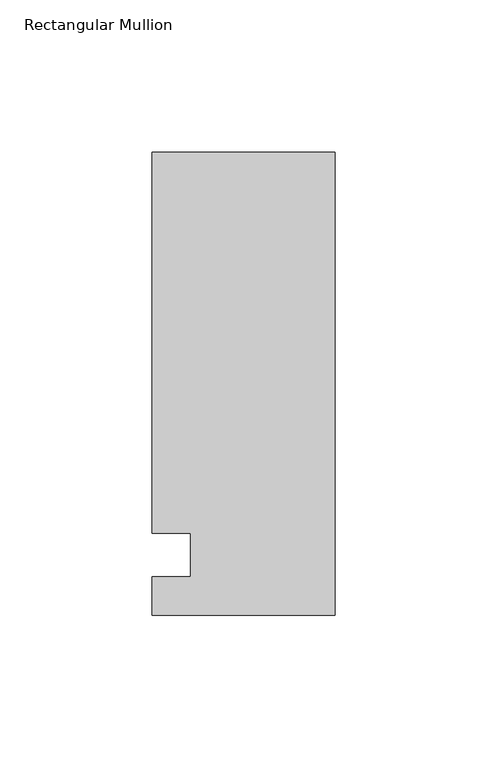
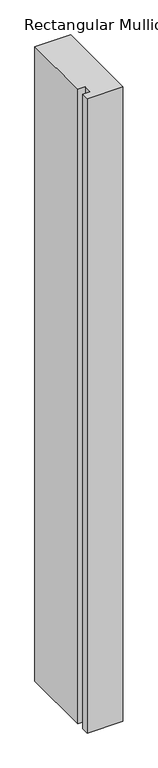
"""IFC4 building model written with IfcOpenShell, lengths in millimetres: member geometry, Rectangular Mullion."""

from ifc_helpers import new_model, si_unit, frame, origin, place, context, project, spatial, polyline, outline, extrude, source, transform, mapped, element, save


def rectangular_mullion_810c535a(model_context):
    return source(origin(), model_context, "Body", "SweptSolid", [
        extrude(outline(polyline([(-60.325, 132.55625), (0.0, 132.55625), (0.0, -19.84375), (-60.325, -19.84375), (-60.325, -7.14375), (-47.625, -7.14375), (-47.625, 7.14375), (-60.325, 7.14375), (-60.325, 132.55625)])), frame((0.0, 0.0, -1130.3), z_axis=(0.0, 0.0, 1.0), x_axis=(1.0, 0.0, 0.0)), (0.0, 0.0, 1.0), 1130.3),
    ])


if __name__ == "__main__":
    model = new_model("IFC4")
    model_context = context("Model", 3, world=origin())
    ifc_project = project(units=[si_unit("LENGTHUNIT", "METRE", prefix="MILLI")], contexts=[model_context])
    site = spatial("IfcSite", under=ifc_project)
    building = spatial("IfcBuilding", under=site)
    placement = place(None, origin())
    rectangular_mullion_shape = rectangular_mullion_810c535a(model_context)
    element("IfcMember", 1, ObjectType="Rectangular Mullion", at=placement, inside=building, context=model_context, shape_type="MappedRepresentation", body=[
        mapped(rectangular_mullion_shape, transform((0.0, 0.0, 0.0), x_axis=(1.0, 0.0, 0.0), y_axis=(0.0, 1.0, 0.0), z_axis=(0.0, 0.0, 1.0))),
    ])
    save(model, "model.ifc")
